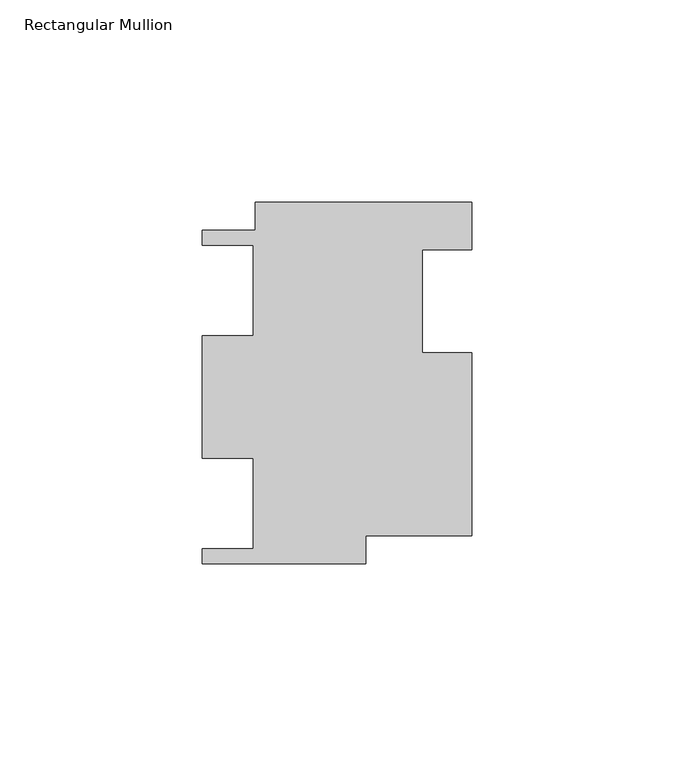
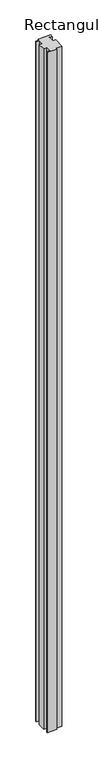
"""IFC4 building model written with IfcOpenShell, lengths in millimetres: member geometry, Rectangular Mullion."""

from ifc_helpers import new_model, si_unit, frame, origin, place, context, project, spatial, polyline, outline, extrude, source, transform, mapped, element, save


def rectangular_mullion_7ad1590a(model_context):
    return source(origin(), model_context, "Body", "SweptSolid", [
        extrude(outline(polyline([(-53.4924, 45.7326731), (0.0, 45.7326731), (0.0, 33.8962731), (-12.2174, 33.8962731), (-12.2174, 8.4962731), (0.0, 8.4962731), (0.0, -36.8173269), (-26.1946205, -36.8173269), (-26.1946205, -43.7261269), (-66.6822205, -43.7261269), (-66.6822205, -39.9923269), (-53.9822205, -39.9923269), (-53.9822205, -17.6149269), (-66.6822101, -17.6149269), (-66.6822101, 12.7126731), (-53.9822205, 12.7126731), (-53.9822205, 35.0900731), (-66.6822205, 35.0900731), (-66.6822205, 38.8238731), (-53.4924, 38.8238731), (-53.4924, 45.7326731)])), frame((0.0, 0.0, -3048.0), z_axis=(0.0, 0.0, 1.0), x_axis=(1.0, 0.0, 0.0)), (0.0, 0.0, 1.0), 3048.0),
    ])


if __name__ == "__main__":
    model = new_model("IFC4")
    model_context = context("Model", 3, world=origin())
    ifc_project = project(units=[si_unit("LENGTHUNIT", "METRE", prefix="MILLI")], contexts=[model_context])
    site = spatial("IfcSite", under=ifc_project)
    building = spatial("IfcBuilding", under=site)
    placement = place(None, origin())
    rectangular_mullion_shape = rectangular_mullion_7ad1590a(model_context)
    element("IfcMember", 1, ObjectType="Rectangular Mullion", at=placement, inside=building, context=model_context, shape_type="MappedRepresentation", body=[
        mapped(rectangular_mullion_shape, transform((0.0, 0.0, 0.0), x_axis=(1.0, 0.0, 0.0), y_axis=(0.0, 1.0, 0.0), z_axis=(0.0, 0.0, 1.0))),
    ])
    save(model, "model.ifc")
